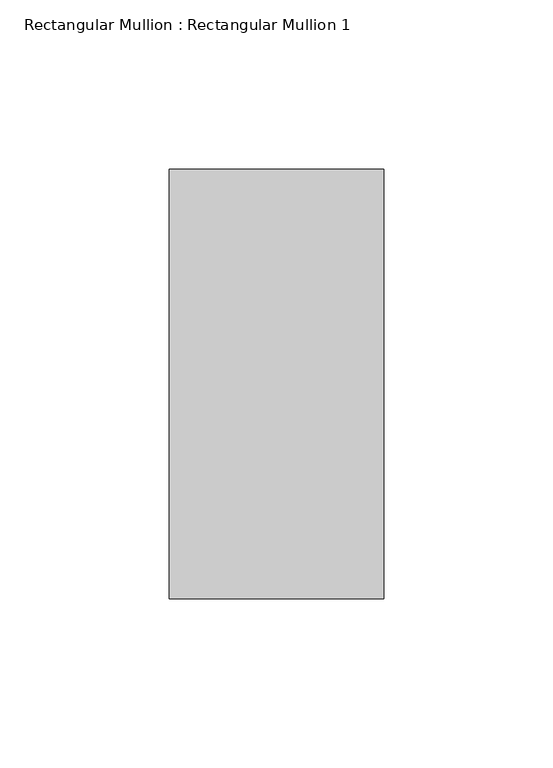
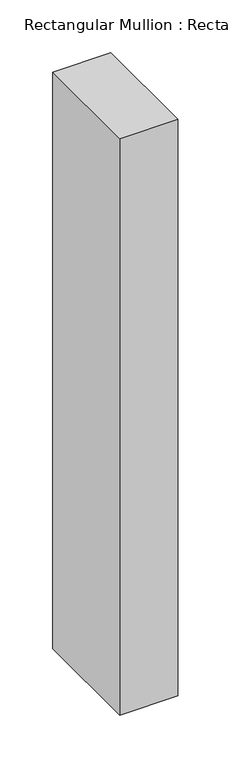
"""IFC4 building model written with IfcOpenShell, lengths in millimetres: member geometry, Rectangular Mullion : Rectangular Mullion 1."""

from ifc_helpers import new_model, si_unit, frame, origin, place, context, project, spatial, polyline, outline, extrude, source, transform, mapped, element, save


def rectangular_mullion_rectangular_mullion_1_2ee2964b(model_context):
    return source(origin(), model_context, "Body", "SweptSolid", [
        extrude(outline(polyline([(31.75, 63.5), (31.75, -63.5), (-31.75, -63.5), (-31.75, 63.5), (31.75, 63.5)])), frame((0.0, 0.0, -666.75), z_axis=(0.0, 0.0, 1.0), x_axis=(1.0, 0.0, 0.0)), (0.0, 0.0, 1.0), 666.75),
    ])


if __name__ == "__main__":
    model = new_model("IFC4")
    model_context = context("Model", 3, world=origin())
    ifc_project = project(units=[si_unit("LENGTHUNIT", "METRE", prefix="MILLI")], contexts=[model_context])
    site = spatial("IfcSite", under=ifc_project)
    building = spatial("IfcBuilding", under=site)
    placement = place(None, origin())
    rectangular_mullion_rectangular_mullion_1_shape = rectangular_mullion_rectangular_mullion_1_2ee2964b(model_context)
    element("IfcMember", 1, ObjectType="Rectangular Mullion : Rectangular Mullion 1", at=placement, inside=building, context=model_context, shape_type="MappedRepresentation", body=[
        mapped(rectangular_mullion_rectangular_mullion_1_shape, transform((0.0, 0.0, 0.0), x_axis=(1.0, 0.0, 0.0), y_axis=(0.0, 1.0, 0.0), z_axis=(0.0, 0.0, 1.0))),
    ])
    save(model, "model.ifc")
